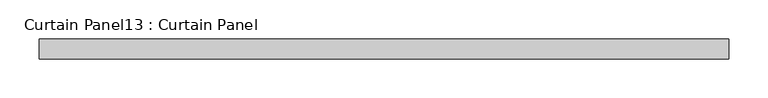
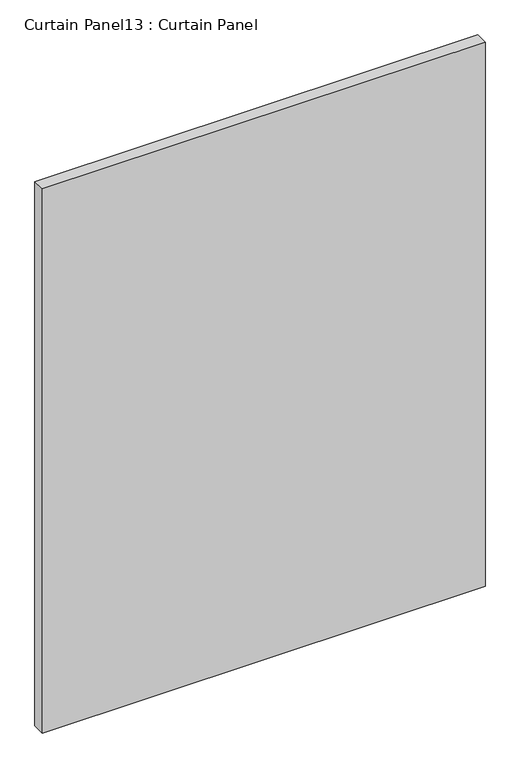
"""IFC4 building model written with IfcOpenShell, lengths in millimetres: plate geometry, Curtain Panel13 : Curtain Panel."""

from ifc_helpers import new_model, si_unit, frame, origin, place, context, project, spatial, polyline, outline, extrude, source, transform, mapped, element, save


def curtain_panel13_curtain_panel_104e3c39(model_context):
    return source(origin(), model_context, "Body", "SweptSolid", [
        extrude(outline(polyline([(-171978.6080404, 7403.2117994), (-172858.0830404, 7403.2117994), (-172858.0830404, 7428.6117994), (-171978.6080404, 7428.6117994), (-171978.6080404, 7403.2117994)])), frame((0.0, 0.0, 2455.8625), z_axis=(0.0, 0.0, 1.0), x_axis=(1.0, 0.0, 0.0)), (0.0, 0.0, 1.0), 1143.0),
    ])


if __name__ == "__main__":
    model = new_model("IFC4")
    model_context = context("Model", 3, world=origin())
    ifc_project = project(units=[si_unit("LENGTHUNIT", "METRE", prefix="MILLI")], contexts=[model_context])
    site = spatial("IfcSite", under=ifc_project)
    building = spatial("IfcBuilding", under=site)
    placement = place(None, origin())
    curtain_panel13_curtain_panel_shape = curtain_panel13_curtain_panel_104e3c39(model_context)
    element("IfcPlate", 1, ObjectType="Curtain Panel13 : Curtain Panel", at=placement, inside=building, context=model_context, shape_type="MappedRepresentation", body=[
        mapped(curtain_panel13_curtain_panel_shape, transform((0.0, 0.0, 0.0), x_axis=(1.0, 0.0, 0.0), y_axis=(0.0, 1.0, 0.0), z_axis=(0.0, 0.0, 1.0))),
    ])
    save(model, "model.ifc")
